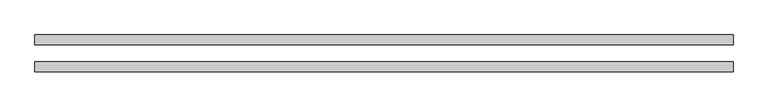
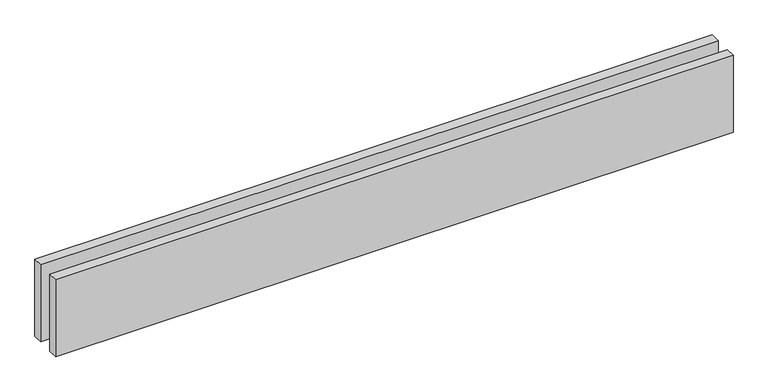
"""IFC4 building model written with IfcOpenShell, lengths in millimetres: proxy geometry."""

from ifc_helpers import new_model, si_unit, origin, origin_with_axes, place, context, project, spatial, polyline, outline, extrude, source, transform, mapped, element, save


def generic_models_1b038a46(model_context):
    return source(origin(), model_context, "Body", "SweptSolid", [
        extrude(outline(polyline([(2081.9040124, 25.0), (0.0, 25.0), (0.0, 55.0), (2081.9040124, 55.0), (2081.9040124, 25.0)])), origin_with_axes(), (0.0, 0.0, 1.0), 250.0),
        extrude(outline(polyline([(2081.9040124, -55.0), (0.0, -55.0), (0.0, -25.0), (2081.9040124, -25.0), (2081.9040124, -55.0)])), origin_with_axes(), (0.0, 0.0, 1.0), 250.0),
    ])


if __name__ == "__main__":
    model = new_model("IFC4")
    model_context = context("Model", 3, world=origin())
    ifc_project = project(units=[si_unit("LENGTHUNIT", "METRE", prefix="MILLI")], contexts=[model_context])
    site = spatial("IfcSite", under=ifc_project)
    building = spatial("IfcBuilding", under=site)
    placement = place(None, origin())
    generic_models_shape = generic_models_1b038a46(model_context)
    element("IfcBuildingElementProxy", 1, Name="Generic Models", at=placement, inside=building, context=model_context, shape_type="MappedRepresentation", body=[
        mapped(generic_models_shape, transform((0.0, 0.0, 0.0), x_axis=(1.0, 0.0, 0.0), y_axis=(0.0, 1.0, 0.0), z_axis=(0.0, 0.0, 1.0))),
    ])
    save(model, "model.ifc")
